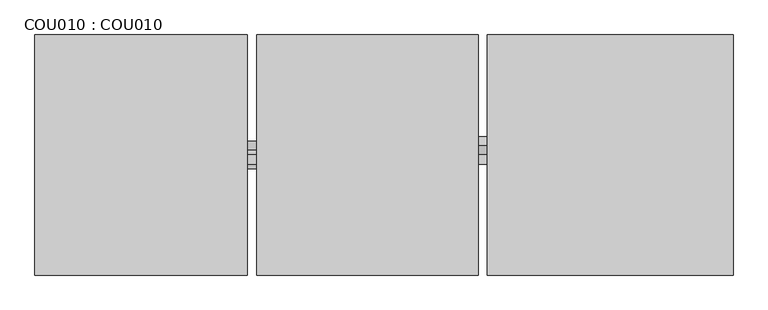
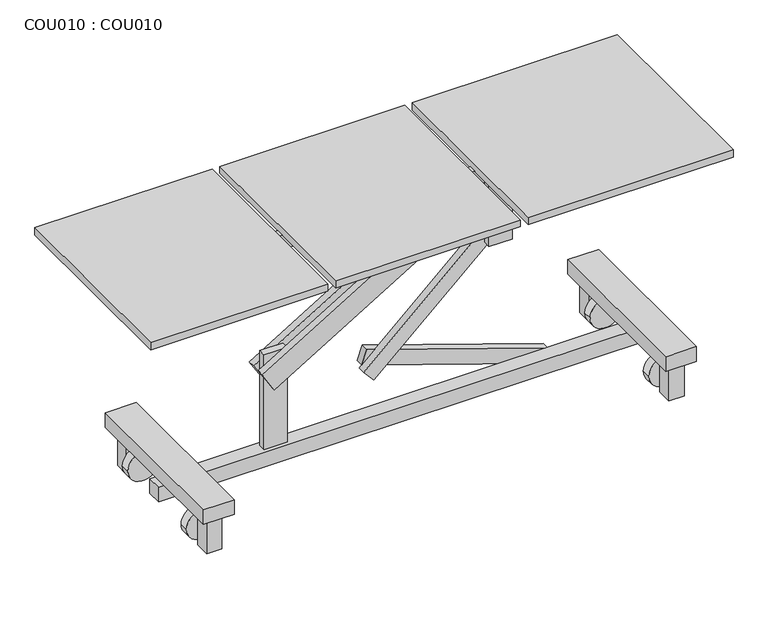
"""IFC4 building model written with IfcOpenShell, lengths in millimetres: proxy geometry, COU010 : COU010."""

from ifc_helpers import new_model, si_unit, point, frame, frame_2d, origin, origin_with_axes, place, context, project, spatial, polyline, circle_curve, trimmed, segment, composite_curve, outline, extrude, source, transform, mapped, element, save


def cou010_cou010_b35bf94d(model_context):
    return source(origin(), model_context, "Body", "SweptSolid", [
        extrude(outline(composite_curve([segment(trimmed(circle_curve(frame_2d((50.0, 249.9507587)), 9.9998713), [point((50.0, 259.9506299))], [point((50.0, 239.9508874))], False, "CARTESIAN"), True, "CONTINUOUS"), segment(trimmed(circle_curve(frame_2d((50.0, 249.9507587)), 9.9998713), [point((50.0, 239.9508874))], [point((50.0, 259.9506299))], False, "CARTESIAN"), True, "CONTINUOUS")], self_intersect=False)), frame((0.0, -144.9741012, 0.0), z_axis=(0.0, 1.0, 0.0), x_axis=(0.0, 0.0, 1.0)), (0.0, 0.0, 1.0), 19.9996985),
        extrude(outline(composite_curve([segment(trimmed(circle_curve(frame_2d((50.0, 249.9507587)), 9.9998713), [point((50.0, 259.9506299))], [point((50.0, 239.9508874))], False, "CARTESIAN"), True, "CONTINUOUS"), segment(trimmed(circle_curve(frame_2d((50.0, 249.9507587)), 9.9998713), [point((50.0, 239.9508874))], [point((50.0, 259.9506299))], False, "CARTESIAN"), True, "CONTINUOUS")], self_intersect=False)), frame((0.0, -525.0012061, 0.0), z_axis=(0.0, 1.0, 0.0), x_axis=(0.0, 0.0, 1.0)), (0.0, 0.0, 1.0), 19.9996985),
        extrude(outline(composite_curve([segment(trimmed(circle_curve(frame_2d((50.0, 250.1751596)), 50.0000008), [point((50.0, 300.1751604))], [point((50.0, 200.1751588))], False, "CARTESIAN"), True, "CONTINUOUS"), segment(trimmed(circle_curve(frame_2d((50.0, 250.1751596)), 50.0000008), [point((50.0, 200.1751588))], [point((50.0, 300.1751604))], False, "CARTESIAN"), True, "CONTINUOUS")], self_intersect=False)), frame((0.0, -174.9876536, 0.0), z_axis=(0.0, 1.0, 0.0), x_axis=(0.0, 0.0, 1.0)), (0.0, 0.0, 1.0), 30.0),
        extrude(outline(composite_curve([segment(trimmed(circle_curve(frame_2d((50.0, 250.1751596)), 50.0000008), [point((50.0, 300.1751604))], [point((50.0, 200.1751588))], False, "CARTESIAN"), True, "CONTINUOUS"), segment(trimmed(circle_curve(frame_2d((50.0, 250.1751596)), 50.0000008), [point((50.0, 200.1751588))], [point((50.0, 300.1751604))], False, "CARTESIAN"), True, "CONTINUOUS")], self_intersect=False)), frame((0.0, -505.0015076, 0.0), z_axis=(0.0, 1.0, 0.0), x_axis=(0.0, 0.0, 1.0)), (0.0, 0.0, 1.0), 30.0),
        extrude(outline(polyline([(275.0018139, -74.9876498), (275.0018139, -124.9876502), (225.0014366, -124.9876502), (225.0014366, -74.9876498), (275.0018139, -74.9876498)])), origin_with_axes(), (0.0, 0.0, 1.0), 125.000001),
        extrude(outline(polyline([(275.0018139, -525.0126301), (275.0018139, -575.0126305), (225.0014366, -575.0126305), (225.0014366, -525.0126301), (275.0018139, -525.0126301)])), origin_with_axes(), (0.0, 0.0, 1.0), 125.000001),
        extrude(outline(polyline([(300.0020752, -600.0015122), (199.9979286, -600.0015122), (199.9979286, -50.001508), (300.0020752, -50.001508), (300.0020752, -600.0015122)])), frame((0.0, 0.0, 125.000001), z_axis=(0.0, 0.0, 1.0), x_axis=(1.0, 0.0, 0.0)), (0.0, 0.0, 1.0), 50.0000004),
        extrude(outline(composite_curve([segment(trimmed(circle_curve(frame_2d((50.0, 1749.9507701)), 9.9998713), [point((50.0, 1759.9506413))], [point((50.0, 1739.9508988))], False, "CARTESIAN"), True, "CONTINUOUS"), segment(trimmed(circle_curve(frame_2d((50.0, 1749.9507701)), 9.9998713), [point((50.0, 1739.9508988))], [point((50.0, 1759.9506413))], False, "CARTESIAN"), True, "CONTINUOUS")], self_intersect=False)), frame((0.0, -144.974855, 0.0), z_axis=(0.0, 1.0, 0.0), x_axis=(0.0, 0.0, 1.0)), (0.0, 0.0, 1.0), 19.9996985),
        extrude(outline(composite_curve([segment(trimmed(circle_curve(frame_2d((50.0, 1749.9507701)), 9.9998713), [point((50.0, 1759.9506413))], [point((50.0, 1739.9508988))], False, "CARTESIAN"), True, "CONTINUOUS"), segment(trimmed(circle_curve(frame_2d((50.0, 1749.9507701)), 9.9998713), [point((50.0, 1739.9508988))], [point((50.0, 1759.9506413))], False, "CARTESIAN"), True, "CONTINUOUS")], self_intersect=False)), frame((0.0, -525.0019599, 0.0), z_axis=(0.0, 1.0, 0.0), x_axis=(0.0, 0.0, 1.0)), (0.0, 0.0, 1.0), 19.9996985),
        extrude(outline(composite_curve([segment(trimmed(circle_curve(frame_2d((50.0, 1750.175171)), 50.0000008), [point((50.0, 1800.1751718))], [point((50.0, 1700.1751702))], False, "CARTESIAN"), True, "CONTINUOUS"), segment(trimmed(circle_curve(frame_2d((50.0, 1750.175171)), 50.0000008), [point((50.0, 1700.1751702))], [point((50.0, 1800.1751718))], False, "CARTESIAN"), True, "CONTINUOUS")], self_intersect=False)), frame((0.0, -174.9884074, 0.0), z_axis=(0.0, 1.0, 0.0), x_axis=(0.0, 0.0, 1.0)), (0.0, 0.0, 1.0), 30.0),
        extrude(outline(composite_curve([segment(trimmed(circle_curve(frame_2d((50.0, 1750.175171)), 50.0000008), [point((50.0, 1800.1751718))], [point((50.0, 1700.1751702))], False, "CARTESIAN"), True, "CONTINUOUS"), segment(trimmed(circle_curve(frame_2d((50.0, 1750.175171)), 50.0000008), [point((50.0, 1700.1751702))], [point((50.0, 1800.1751718))], False, "CARTESIAN"), True, "CONTINUOUS")], self_intersect=False)), frame((0.0, -505.0022614, 0.0), z_axis=(0.0, 1.0, 0.0), x_axis=(0.0, 0.0, 1.0)), (0.0, 0.0, 1.0), 30.0),
        extrude(outline(polyline([(1775.0018253, -74.9884036), (1775.0018253, -124.988404), (1725.001448, -124.988404), (1725.001448, -74.9884036), (1775.0018253, -74.9884036)])), origin_with_axes(), (0.0, 0.0, 1.0), 125.000001),
        extrude(outline(polyline([(1775.0018253, -525.0133839), (1775.0018253, -575.0133843), (1725.001448, -575.0133843), (1725.001448, -525.0133839), (1775.0018253, -525.0133839)])), origin_with_axes(), (0.0, 0.0, 1.0), 125.000001),
        extrude(outline(polyline([(1800.0020866, -600.002266), (1699.99794, -600.002266), (1699.99794, -50.0022618), (1800.0020866, -50.0022618), (1800.0020866, -600.002266)])), frame((0.0, 0.0, 125.000001), z_axis=(0.0, 0.0, 1.0), x_axis=(1.0, 0.0, 0.0)), (0.0, 0.0, 1.0), 50.0000004),
        extrude(outline(polyline([(262.5000235, -337.5017661), (237.500096, -337.5017661), (237.500096, -312.500674), (262.5000235, -312.500674), (262.5000235, -337.5017661)])), frame((0.0, 0.0, 100.0000008), z_axis=(0.0, 0.0, 1.0), x_axis=(1.0, 0.0, 0.0)), (0.0, 0.0, 1.0), 25.0000002),
        extrude(outline(polyline([(1762.5000713, -337.5017661), (1737.5001438, -337.5017661), (1737.5001438, -312.500674), (1762.5000713, -312.500674), (1762.5000713, -337.5017661)])), frame((0.0, 0.0, 100.0000008), z_axis=(0.0, 0.0, 1.0), x_axis=(1.0, 0.0, 0.0)), (0.0, 0.0, 1.0), 25.0000002),
        extrude(outline(polyline([(1799.9998252, -350.0015103), (200.0013568, -350.0015103), (200.0013568, -300.0058093), (1799.9998252, -300.0058093), (1799.9998252, -350.0015103)])), frame((0.0, 0.0, 50.0), z_axis=(0.0, 0.0, 1.0), x_axis=(1.0, 0.0, 0.0)), (0.0, 0.0, 1.0), 50.0000008),
        extrude(outline(composite_curve([segment(trimmed(circle_curve(frame_2d((777.3800205, 683.6997991)), 37.4999795), [point((777.3800205, 721.1997786))], [point((777.3800205, 646.1998196))], False, "CARTESIAN"), True, "CONTINUOUS"), segment(trimmed(circle_curve(frame_2d((777.3800205, 683.6997991)), 37.4999795), [point((777.3800205, 646.1998196))], [point((777.3800205, 721.1997786))], False, "CARTESIAN"), True, "CONTINUOUS")], self_intersect=False)), frame((0.0, -350.0054364, 0.0), z_axis=(0.0, 1.0, 0.0), x_axis=(0.0, 0.0, 1.0)), (0.0, 0.0, 1.0), 25.017029),
        extrude(outline(composite_curve([segment(trimmed(circle_curve(frame_2d((777.3800205, 1308.6997991)), 37.4999795), [point((777.3800205, 1346.1997786))], [point((777.3800205, 1271.1998196))], False, "CARTESIAN"), True, "CONTINUOUS"), segment(trimmed(circle_curve(frame_2d((777.3800205, 1308.6997991)), 37.4999795), [point((777.3800205, 1271.1998196))], [point((777.3800205, 1346.1997786))], False, "CARTESIAN"), True, "CONTINUOUS")], self_intersect=False)), frame((0.0, -350.0054364, 0.0), z_axis=(0.0, 1.0, 0.0), x_axis=(0.0, 0.0, 1.0)), (0.0, 0.0, 1.0), 25.017029),
        extrude(outline(polyline([(0.0, -620.776536), (0.0, 0.0), (24.9982392, 0.0), (24.9982392, -620.776536), (0.0, -620.776536)])), frame((887.3400753, -300.0066209, 250.0546268), z_axis=(0.32226390830876034, 0.0, 0.9466498684315986), x_axis=(0.0, 1.0, 0.0)), (0.0, 0.0, 1.0), 49.9965659),
        extrude(outline(polyline([(0.0, -560.451716), (0.0, 0.0), (24.9798184, 0.0), (24.9798184, -560.451716), (0.0, -560.451716)])), frame((912.405786, -324.9884074, 205.2882002), z_axis=(-0.6756367981616848, 0.0, 0.737234641732079), x_axis=(0.0, 1.0, 0.0)), (0.0, 0.0, 1.0), 49.938677),
        extrude(outline(polyline([(1346.1997631, -350.0045884), (1271.1998352, -350.0045884), (1271.1998352, -325.0045884), (1346.1997631, -325.0045884), (1346.1997631, -350.0045884)])), frame((0.0, 0.0, 552.3799825), z_axis=(0.0, 0.0, 1.0), x_axis=(1.0, 0.0, 0.0)), (0.0, 0.0, 1.0), 225.0000381),
        extrude(outline(polyline([(0.0, -555.2302974), (0.0, 0.0), (24.9997677, 0.0), (24.9997677, -555.2302974), (0.0, -555.2302974)])), frame((567.8055211, -312.4884074, 314.5775157), z_axis=(-0.5178031594568027, 0.0, 0.8554997884608465), x_axis=(0.0, 1.0, 0.0)), (0.0, 0.0, 1.0), 75.0),
        extrude(outline(polyline([(623.380067, -337.5036342), (548.3799144, -337.5036342), (548.3799144, -312.5025421), (623.380067, -312.5025421), (623.380067, -337.5036342)])), frame((0.0, 0.0, 100.0000008), z_axis=(0.0, 0.0, 1.0), x_axis=(1.0, 0.0, 0.0)), (0.0, 0.0, 1.0), 325.0000025),
        extrude(outline(polyline([(0.0, -555.2302974), (0.0, 0.0), (24.9997677, 0.0), (24.9997677, -555.2302974), (0.0, -555.2302974)])), frame((567.8055211, -362.5064727, 314.5775157), z_axis=(-0.5178031594568026, 0.0, 0.8554997884608465), x_axis=(0.0, 1.0, 0.0)), (0.0, 0.0, 1.0), 75.0),
        extrude(outline(polyline([(0.0, -49.8619093), (0.0, 0.0), (25.0013758, 0.0), (25.0013758, -49.8619093), (0.0, -49.8619093)])), frame((1002.0673799, -337.5098184, 621.3604703), z_axis=(-0.5150380749100499, 0.0, 0.857167300702115), x_axis=(0.0, 1.0, 0.0)), (0.0, 0.0, 1.0), 218.6359861),
        extrude(outline(polyline([(1858.699876, -350.0056248), (1333.6997993, -350.0056248), (1333.6997993, -324.9884074), (1858.699876, -324.9884074), (1858.699876, -350.0056248)])), frame((0.0, 0.0, 777.3800205), z_axis=(0.0, 0.0, 1.0), x_axis=(1.0, 0.0, 0.0)), (0.0, 0.0, 1.0), 50.0000004),
        extrude(outline(polyline([(1283.6999874, -350.0056248), (708.699983, -350.0056248), (708.699983, -324.9884074), (1283.6999874, -324.9884074), (1283.6999874, -350.0056248)])), frame((0.0, 0.0, 777.3800205), z_axis=(0.0, 0.0, 1.0), x_axis=(1.0, 0.0, 0.0)), (0.0, 0.0, 1.0), 50.0000004),
        extrude(outline(polyline([(658.6999826, -350.0056248), (46.1998122, -350.0056248), (46.1998122, -324.9884074), (658.6999826, -324.9884074), (658.6999826, -350.0056248)])), frame((0.0, 0.0, 777.3800205), z_axis=(0.0, 0.0, 1.0), x_axis=(1.0, 0.0, 0.0)), (0.0, 0.0, 1.0), 50.0000004),
        extrude(outline(polyline([(1889.9975936, -0.009234), (1889.9975936, -650.0142517), (1225.0023865, -650.0142517), (1225.0023865, -0.009234), (1889.9975936, -0.009234)])), frame((0.0, 0.0, 825.0000063), z_axis=(0.0, 0.0, 1.0), x_axis=(1.0, 0.0, 0.0)), (0.0, 0.0, 1.0), 25.0000002),
        extrude(outline(polyline([(1199.9975593, -0.0045228), (1199.9975593, -650.0090505), (600.0024544, -650.0090505), (600.0024544, -0.0045228), (1199.9975593, -0.0045228)])), frame((0.0, 0.0, 827.3800209), z_axis=(0.0, 0.0, 1.0), x_axis=(1.0, 0.0, 0.0)), (0.0, 0.0, 1.0), 22.6199856),
        extrude(outline(polyline([(574.9975545, 0.0), (574.9975545, -650.0043393), (0.0, -650.0043393), (0.0, 0.0), (574.9975545, 0.0)])), frame((0.0, 0.0, 825.0000063), z_axis=(0.0, 0.0, 1.0), x_axis=(1.0, 0.0, 0.0)), (0.0, 0.0, 1.0), 25.0000002),
    ])


if __name__ == "__main__":
    model = new_model("IFC4")
    model_context = context("Model", 3, world=origin())
    ifc_project = project(units=[si_unit("LENGTHUNIT", "METRE", prefix="MILLI")], contexts=[model_context])
    site = spatial("IfcSite", under=ifc_project)
    building = spatial("IfcBuilding", under=site)
    placement = place(None, origin())
    cou010_cou010_shape = cou010_cou010_b35bf94d(model_context)
    element("IfcBuildingElementProxy", 1, Name="COU010 : COU010", ObjectType="COU010 : COU010", at=placement, inside=building, context=model_context, shape_type="MappedRepresentation", body=[
        mapped(cou010_cou010_shape, transform((0.0, 0.0, 0.0), x_axis=(1.0, 0.0, 0.0), y_axis=(0.0, 1.0, 0.0), z_axis=(0.0, 0.0, 1.0))),
    ])
    save(model, "model.ifc")
